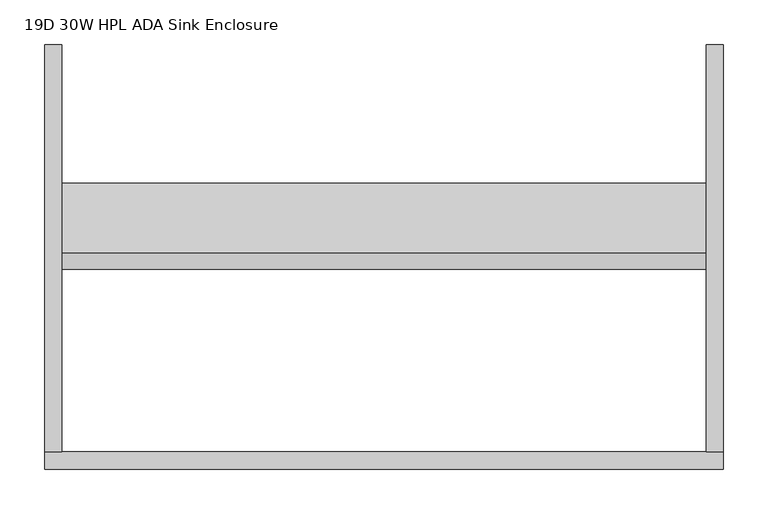
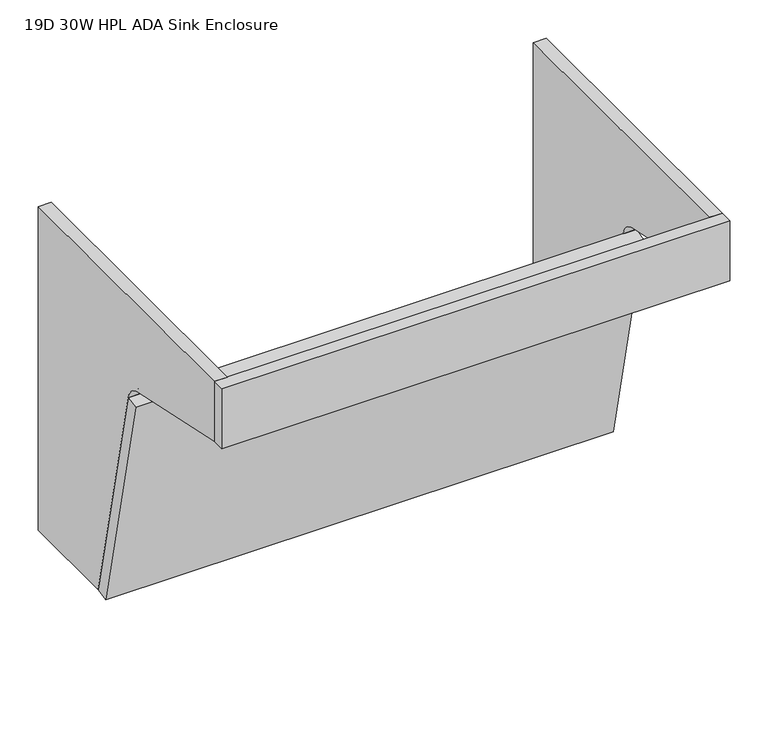
"""IFC4 building model written with IfcOpenShell, lengths in millimetres: furniture geometry, 19D 30W HPL ADA Sink Enclosure."""

from ifc_helpers import new_model, si_unit, point, frame, frame_2d, origin, place, context, project, spatial, polyline, circle_curve, trimmed, segment, composite_curve, outline, extrude, source, transform, mapped, element, save


def furniture_19d_30w_hpl_ada_sink_enclosure_8eba9125(model_context):
    return source(origin(), model_context, "Body", "SweptSolid", [
        extrude(outline(composite_curve([segment(polyline([(0.0, 837.53452), (0.0, 323.85), (-155.6908866, 323.85), (-233.588736, 676.1110693)]), True, "CONTINUOUS"), segment(trimmed(circle_curve(frame_2d((-262.9278821, 669.9844644)), 29.972), [point((-233.588736, 676.1110693))], [point((-256.6453745, 699.2906222))], True, "CARTESIAN"), True, "CONTINUOUS"), segment(polyline([(-256.6453745, 699.2906222), (-457.2, 742.28452), (-457.2, 837.53452), (0.0, 837.53452)]), True, "CONTINUOUS")], self_intersect=False)), frame((0.0, 0.0, 0.0), z_axis=(1.0, 0.0, 0.0), x_axis=(0.0, 1.0, 0.0)), (0.0, 0.0, 1.0), 19.304),
        extrude(outline(composite_curve([segment(polyline([(0.0, 837.53452), (0.0, 323.85), (-155.6908866, 323.85), (-233.588736, 676.1110693)]), True, "CONTINUOUS"), segment(trimmed(circle_curve(frame_2d((-262.9278821, 669.9844644)), 29.972), [point((-233.588736, 676.1110693))], [point((-256.6453745, 699.2906222))], True, "CARTESIAN"), True, "CONTINUOUS"), segment(polyline([(-256.6453745, 699.2906222), (-457.2, 742.28452), (-457.2, 837.53452), (0.0, 837.53452)]), True, "CONTINUOUS")], self_intersect=False)), frame((742.696, 0.0, 0.0), z_axis=(1.0, 0.0, 0.0), x_axis=(0.0, 1.0, 0.0)), (0.0, 0.0, 1.0), 19.304),
        extrude(outline(polyline([(0.0, -457.2), (762.0, -457.2), (762.0, -476.504), (0.0, -476.504), (0.0, -457.2)])), frame((0.0, 0.0, 742.28452), z_axis=(0.0, 0.0, 1.0), x_axis=(1.0, 0.0, 0.0)), (0.0, 0.0, 1.0), 95.25),
        extrude(outline(polyline([(0.0, -19.2230589), (0.0, 0.0), (762.0, 0.0), (762.0, -19.2230589), (0.0, -19.2230589)])), frame((762.0, -174.4604926, 319.6993513), z_axis=(0.0, -0.2159203016021953, 0.9764109910053332), x_axis=(-1.0, 0.0, 0.0)), (0.0, 0.0, 1.0), 360.7713069),
    ])


if __name__ == "__main__":
    model = new_model("IFC4")
    model_context = context("Model", 3, world=origin())
    ifc_project = project(units=[si_unit("LENGTHUNIT", "METRE", prefix="MILLI")], contexts=[model_context])
    site = spatial("IfcSite", under=ifc_project)
    building = spatial("IfcBuilding", under=site)
    placement = place(None, origin())
    furniture_19d_30w_hpl_ada_sink_enclosure_shape = furniture_19d_30w_hpl_ada_sink_enclosure_8eba9125(model_context)
    element("IfcFurniture", 1, ObjectType="19D 30W HPL ADA Sink Enclosure", at=placement, inside=building, context=model_context, shape_type="MappedRepresentation", body=[
        mapped(furniture_19d_30w_hpl_ada_sink_enclosure_shape, transform((0.0, 0.0, 0.0), x_axis=(1.0, 0.0, 0.0), y_axis=(0.0, 1.0, 0.0), z_axis=(0.0, 0.0, 1.0))),
    ])
    save(model, "model.ifc")
